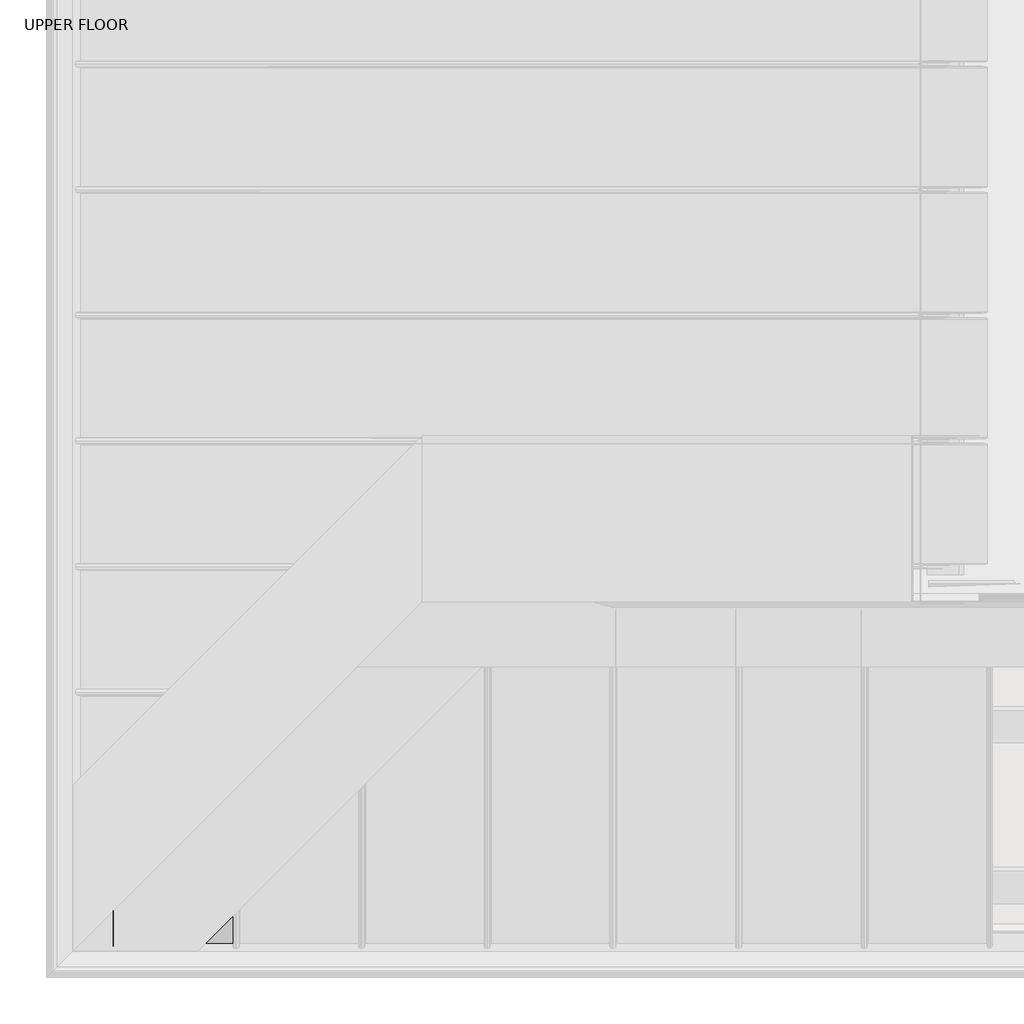
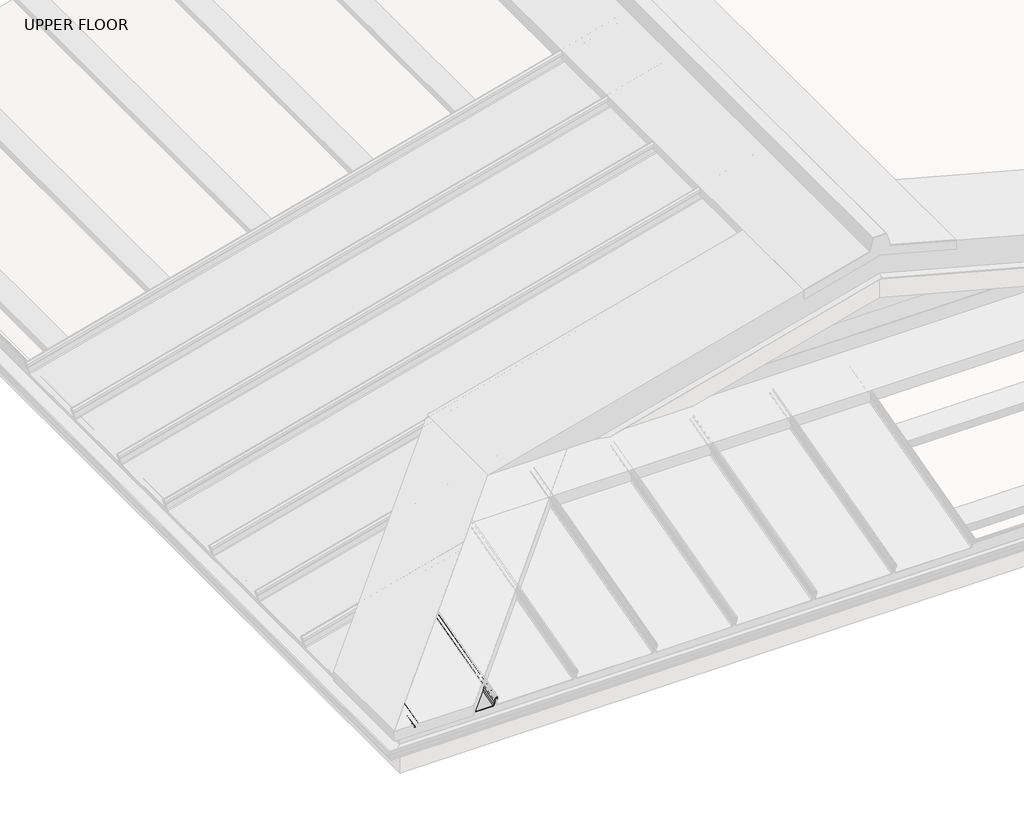
# One storey, part 5 of 15: 1 beam.
"""IFC4 building model written with IfcOpenShell, lengths in millimetres."""

from ifc_helpers import new_model, si_unit, frame, origin, place, context, project, spatial, polyline, circle_curve, ellipse_curve, element, save
from ifc_brep_helpers import plane_surface, cylinder_surface, revolved_surface, advanced_brep

model = new_model("IFC4")

# Units and contexts
model_context = context("Model", 3, world=origin())
ifc_project = project(units=[si_unit("LENGTHUNIT", "METRE", prefix="MILLI")], contexts=[model_context])

# Site, building, storey
site = spatial("IfcSite", under=ifc_project)
building = spatial("IfcBuilding", under=site)
storey = spatial("IfcBuildingStorey", under=building, Name="UPPER FLOOR", Elevation=2700.0)

# Beam
placement = place(None, origin())
element("IfcBeam", 1, at=placement, inside=storey, context=model_context, shape_type="AdvancedBrep", body=[
    advanced_brep(
    [(-171.6506892, -4676.095666, 3282.2551895), (-176.1847146, -4677.0728577, 3285.9021185), (-180.6915291, -4676.1309313, 3282.3868016), (-183.1385285, -4673.1910221, 3271.414911), (-181.4798691, -4672.5557768, 3269.0441433), (-180.3107043, -4672.112927, 3267.3914054), (-181.8012259, -4666.0540531, 3244.7793802), (-185.4956776, -4665.157273, 3241.4325512), (-505.7446304, -4665.157273, 3241.4325512), (-509.4374078, -4666.0550971, 3244.7832762), (-510.906911, -4672.1332034, 3267.4670779), (-510.2789834, -4672.3747897, 3268.3686904), (-508.0673455, -4673.168275, 3271.3300177), (-508.9508843, -4676.0609668, 3282.1256906), (-516.1805362, -4677.7900541, 3288.5787319), (-523.4101882, -4676.0609668, 3282.1256906), (-524.293727, -4673.168275, 3271.3300177), (-522.0820891, -4672.3747897, 3268.3686904), (-521.4541615, -4672.1332034, 3267.4670779), (-521.8458759, -4670.5130082, 3261.420427), (-520.84392, -4670.5130082, 3261.420427), (-520.4365113, -4672.1981177, 3267.7093414), (-521.8419272, -4672.6260652, 3269.3064631), (-523.2963478, -4673.1478782, 3271.2538956), (-522.4066574, -4676.0607105, 3282.1247338), (-516.1805362, -4677.531235, 3287.6128061), (-509.9476802, -4676.0402621, 3282.0484196), (-509.0600815, -4673.1272018, 3271.1767303), (-510.5191453, -4672.6260652, 3269.3064631), (-511.9245612, -4672.1981177, 3267.7093414), (-510.4354557, -4666.0389332, 3244.7229517), (-505.7446304, -4664.898454, 3240.4666254), (-185.4959227, -4664.898454, 3240.4666254), (-180.8032468, -4666.0376071, 3244.7180029), (-179.3125123, -4672.0973465, 3267.3332583), (-181.2160931, -4672.805634, 3269.9766229), (-182.1527364, -4673.1463822, 3271.2483128), (-179.7370513, -4676.0462771, 3282.0708676), (-176.1742056, -4676.8142937, 3284.9371448), (-172.7002114, -4676.1424796, 3282.4299005), (-170.6729605, -4673.2675201, 3271.7004056), (-169.6731006, -4673.315157, 3271.8781888), (-169.6731006, -4237.8214481, 3388.5683764), (-171.6506892, -4239.7990366, 3399.160519), (-170.6729605, -4238.821308, 3388.1099173), (-172.7002114, -4240.8485588, 3399.0665551), (-176.1742056, -4244.322553, 3400.8229575), (-179.7370513, -4247.8853987, 3396.7962292), (-182.1527364, -4250.3010838, 3384.549369), (-181.2160931, -4249.3644405, 3383.4373487), (-179.3125123, -4247.4608597, 3381.114262), (-180.8032468, -4248.9515942, 3356.4758633), (-185.4959227, -4253.6442701, 3350.6618518), (-505.7446304, -4573.8929778, 3264.8514692), (-510.4354557, -4578.5838031, 3268.1564831), (-511.9245612, -4580.0729087, 3292.3942167), (-510.5191453, -4578.6674927, 3294.4825867), (-509.0600815, -4577.2084289, 3296.878088), (-509.9476802, -4578.0960276, 3308.2924981), (-516.1805362, -4584.3288837, 3312.5863009), (-522.4066574, -4590.5550048, 3305.0359185), (-523.2963478, -4591.4446952, 3293.1461975), (-521.8419272, -4589.9902746, 3291.4486565), (-520.4365113, -4588.5848587, 3290.1134466), (-520.84392, -4588.9922675, 3283.2638436), (-521.8458759, -4589.9942233, 3282.9953704), (-521.4541615, -4589.6025089, 3289.5811108), (-522.0820891, -4590.2304365, 3290.3792035), (-524.2948561, -4592.4420973, 3292.9606233), (-523.4101882, -4591.5585357, 3304.7680488), (-516.1805362, -4584.3288837, 3313.621577), (-508.9508843, -4577.0992317, 3308.6424076), (-508.0673455, -4576.2156929, 3297.3083837), (-510.2789834, -4578.4273308, 3293.5418361), (-510.906911, -4579.0552584, 3292.4072381), (-509.4374078, -4577.5857552, 3268.4885649), (-505.7446304, -4573.8929778, 3265.8867454), (-185.4956776, -4253.644025, 3351.6971937), (-181.8012259, -4249.9495733, 3356.2742396), (-180.3107043, -4248.4590518, 3380.9091191), (-181.4798691, -4249.6282166, 3382.3672415), (-183.1385285, -4251.2868759, 3384.4637863), (-180.6915291, -4248.8398765, 3396.8790947), (-176.1847146, -4244.333062, 3401.8543973)],
    [
        (0, 1, circle_curve(frame((-176.1847146, -4675.8796489, 3281.4490028), z_axis=(0.0, -0.9659258262890683, -0.2588190451025206), x_axis=(-1.0000000000000002, 0.0, 0.0)), 4.6102046)),
        (1, 2, circle_curve(frame((-176.1847146, -4675.8796489, 3281.4490028), z_axis=(0.0, -0.9659258262890683, -0.2588190451025206), x_axis=(-1.0000000000000002, 0.0, 0.0)), 4.6102046)),
        (2, 3),
        (3, 4, circle_curve(frame((-180.7543361, -4673.1453565, 3271.2444845), z_axis=(0.0, -0.9659258262890683, -0.2588190451025206), x_axis=(-1.0000000000000002, 0.0, 0.0)), 2.3907121)),
        (4, 5, circle_curve(frame((-181.9907668, -4672.1406133, 3267.4947319), z_axis=(0.0, 0.9659258262890683, 0.2588190451025206), x_axis=(-1.0000000000000002, 0.0, 0.0)), 1.6834645)),
        (5, 6),
        (6, 7, circle_curve(frame((-185.4937487, -4666.1149033, 3245.0064763), z_axis=(0.0, 0.9659258262890683, 0.2588190451025206), x_axis=(-1.0000000000000002, 0.0, 0.0)), 3.7)),
        (7, 8),
        (8, 9, circle_curve(frame((-505.7446304, -4666.1149035, 3245.0064768), z_axis=(0.0, 0.9659258262890683, 0.2588190451025206), x_axis=(-1.0000000000000002, 0.0, 0.0)), 3.7)),
        (9, 10),
        (10, 11, circle_curve(frame((-509.9849411, -4672.1481352, 3267.522804), z_axis=(0.0, 0.9659258262890683, 0.2588190451025206), x_axis=(-1.0000000000000002, 0.0, 0.0)), 0.9237732)),
        (11, 12, circle_curve(frame((-510.9790057, -4673.108701, 3271.1076846), z_axis=(0.0, -0.9659258262890683, -0.2588190451025206), x_axis=(-1.0000000000000002, 0.0, 0.0)), 2.9207441)),
        (12, 13),
        (13, 14, circle_curve(frame((-516.1805362, -4675.9130447, 3281.5736375), z_axis=(0.0, -0.9659258262890683, -0.2588190451025206), x_axis=(-1.0000000000000002, 0.0, 0.0)), 7.2522073)),
        (14, 15, circle_curve(frame((-516.1805362, -4675.9130447, 3281.5736375), z_axis=(0.0, -0.9659258262890683, -0.2588190451025206), x_axis=(-1.0000000000000002, 0.0, 0.0)), 7.2522073)),
        (15, 16),
        (16, 17, circle_curve(frame((-521.3806452, -4673.1092459, 3271.1097181), z_axis=(0.0, -0.9659258262890683, -0.2588190451025206), x_axis=(-1.0000000000000002, 0.0, 0.0)), 2.9231288)),
        (17, 18, circle_curve(frame((-522.2830835, -4672.164336, 3267.5832662), z_axis=(0.0, 0.9659258262890683, 0.2588190451025206), x_axis=(-1.0000000000000002, 0.0, 0.0)), 0.8376041)),
        (18, 19),
        (19, 20, circle_curve(frame((-521.344898, -4670.5130082, 3261.420427), z_axis=(0.0, -0.9659258262890683, -0.2588190451025206), x_axis=(-1.0000000000000002, 0.0, 0.0)), 0.5009779)),
        (20, 21),
        (21, 22, circle_curve(frame((-522.2868274, -4672.1596269, 3267.5656915), z_axis=(0.0, -0.9659258262890683, -0.2588190451025206), x_axis=(-1.0000000000000002, 0.0, 0.0)), 1.856283)),
        (22, 23, circle_curve(frame((-521.3815775, -4673.108701, 3271.1076846), z_axis=(0.0, 0.9659258262890683, 0.2588190451025206), x_axis=(-1.0000000000000002, 0.0, 0.0)), 1.9207441)),
        (23, 24),
        (24, 25, circle_curve(frame((-516.2575857, -4675.9348975, 3281.6551933), z_axis=(0.0, 0.9659258262890683, 0.2588190451025206), x_axis=(-1.0000000000000002, 0.0, 0.0)), 6.1682558)),
        (25, 26, circle_curve(frame((-516.2597106, -4675.8908732, 3281.4908925), z_axis=(0.0, 0.9659258262890683, 0.2588190451025206), x_axis=(-1.0000000000000002, 0.0, 0.0)), 6.3383658)),
        (26, 27),
        (27, 28, circle_curve(frame((-510.8835263, -4673.0899838, 3271.0378311), z_axis=(0.0, 0.9659258262890683, 0.2588190451025206), x_axis=(-1.0000000000000002, 0.0, 0.0)), 1.8291061)),
        (28, 29, circle_curve(frame((-510.169191, -4672.1805142, 3267.6436441), z_axis=(0.0, -0.9659258262890683, -0.2588190451025206), x_axis=(-1.0000000000000002, 0.0, 0.0)), 1.7566874)),
        (29, 30),
        (30, 31, circle_curve(frame((-505.7446304, -4666.1149035, 3245.0064768), z_axis=(0.0, -0.9659258262890683, -0.2588190451025206), x_axis=(-1.0000000000000002, 0.0, 0.0)), 4.7)),
        (31, 32),
        (32, 33, circle_curve(frame((-185.4959227, -4666.1155033, 3245.0087152), z_axis=(0.0, -0.9659258262890683, -0.2588190451025206), x_axis=(-1.0000000000000002, 0.0, 0.0)), 4.7023174)),
        (33, 34),
        (34, 35, circle_curve(frame((-181.9866241, -4672.141414, 3267.4977204), z_axis=(0.0, -0.9659258262890683, -0.2588190451025206), x_axis=(-1.0000000000000002, 0.0, 0.0)), 2.6795268)),
        (35, 36, circle_curve(frame((-181.0832503, -4673.0867027, 3271.0255856), z_axis=(0.0, 0.9659258262890683, 0.2588190451025206), x_axis=(-1.0000000000000002, 0.0, 0.0)), 1.094061)),
        (36, 37),
        (37, 38, circle_curve(frame((-176.1742056, -4675.8766984, 3281.4379916), z_axis=(0.0, 0.9659258262890683, 0.2588190451025206), x_axis=(-1.0000000000000002, 0.0, 0.0)), 3.6225901)),
        (38, 39, circle_curve(frame((-176.1742056, -4675.8766984, 3281.4379916), z_axis=(0.0, 0.9659258262890683, 0.2588190451025206), x_axis=(-1.0000000000000002, 0.0, 0.0)), 3.6225901)),
        (39, 40),
        (40, 41, circle_curve(frame((-170.1730306, -4673.2913386, 3271.7892972), z_axis=(0.0, -0.9659258262890683, -0.2588190451025206), x_axis=(-1.0000000000000002, 0.0, 0.0)), 0.5083296)),
        (41, 0),
        (41, 42),
        (42, 43),
        (43, 0),
        (40, 44),
        (44, 42, ellipse_curve(frame((-170.1730306, -4238.321378, 3388.3391468), z_axis=(0.7071067811865475, -0.7071067811865476, 0.0), x_axis=(0.6612248329466451, 0.661224832946645, 0.3543493200069144)), 0.7442462, 0.5083296)),
        (39, 45),
        (45, 44),
        (38, 46),
        (46, 45, ellipse_curve(frame((-176.1742056, -4244.322553, 3397.0725763), z_axis=(-0.7071067811865475, 0.7071067811865476, 0.0), x_axis=(-0.6612248329466451, -0.661224832946645, -0.3543493200069144)), 5.3038399, 3.6225901)),
        (37, 47),
        (47, 46, ellipse_curve(frame((-176.1742056, -4244.322553, 3397.0725763), z_axis=(-0.7071067811865475, 0.7071067811865476, 0.0), x_axis=(-0.6612248329466451, -0.661224832946645, -0.3543493200069144)), 5.3038399, 3.6225901)),
        (36, 48),
        (48, 47),
        (35, 49),
        (49, 48, ellipse_curve(frame((-181.0832503, -4249.2315977, 3384.5972187), z_axis=(-0.7071067811865475, 0.7071067811865476, 0.0), x_axis=(-0.6612248329466451, -0.661224832946645, -0.3543493200069144)), 1.6018165, 1.094061)),
        (34, 50),
        (50, 49, ellipse_curve(frame((-181.9866241, -4250.1349715, 3380.5740059), z_axis=(0.7071067811865475, -0.7071067811865476, 0.0), x_axis=(0.6612248329466451, 0.661224832946645, 0.3543493200069144)), 3.9230995, 2.6795268)),
        (33, 51),
        (51, 50),
        (32, 52),
        (52, 51, ellipse_curve(frame((-185.4959227, -4253.6442701, 3355.530049), z_axis=(0.7071067811865475, -0.7071067811865476, 0.0), x_axis=(0.6612248329466451, 0.661224832946645, 0.3543493200069144)), 6.8846705, 4.7023174)),
        (31, 53),
        (53, 52),
        (30, 54),
        (54, 53, ellipse_curve(frame((-505.7446304, -4573.8929778, 3269.7172673), z_axis=(0.7071067811865475, -0.7071067811865476, 0.0), x_axis=(0.6612248329466451, 0.661224832946645, 0.3543493200069144)), 6.8812776, 4.7)),
        (29, 55),
        (55, 54),
        (28, 56),
        (56, 55, ellipse_curve(frame((-510.169191, -4578.3175384, 3292.7941527), z_axis=(0.7071067811865475, -0.7071067811865476, 0.0), x_axis=(0.6612248329466451, 0.661224832946645, 0.3543493200069144)), 2.5719689, 1.7566874)),
        (27, 57),
        (57, 56, ellipse_curve(frame((-510.8835263, -4579.0318737, 3296.2406258), z_axis=(-0.7071067811865475, 0.7071067811865476, 0.0), x_axis=(-0.6612248329466451, -0.661224832946645, -0.3543493200069144)), 2.6779972, 1.8291061)),
        (26, 58),
        (58, 57),
        (25, 59),
        (59, 58, ellipse_curve(frame((-516.2597106, -4584.408058, 3306.003639), z_axis=(-0.7071067811865475, 0.7071067811865476, 0.0), x_axis=(-0.6612248329466451, -0.661224832946645, -0.3543493200069144)), 9.2800116, 6.3383658)),
        (24, 60),
        (60, 59, ellipse_curve(frame((-516.2575857, -4584.4059331, 3306.1803054), z_axis=(-0.7071067811865475, 0.7071067811865476, 0.0), x_axis=(-0.6612248329466451, -0.661224832946645, -0.3543493200069144)), 9.0309533, 6.1682558)),
        (23, 61),
        (61, 60),
        (22, 62),
        (62, 61, ellipse_curve(frame((-521.3815775, -4589.5299249, 3293.5025501), z_axis=(-0.7071067811865475, 0.7071067811865476, 0.0), x_axis=(-0.6612248329466451, -0.661224832946645, -0.3543493200069144)), 2.8121646, 1.9207441)),
        (21, 63),
        (63, 62, ellipse_curve(frame((-522.2868274, -4590.4351748, 3289.4636925), z_axis=(0.7071067811865475, -0.7071067811865476, 0.0), x_axis=(0.6612248329466451, 0.661224832946645, 0.3543493200069144)), 2.7177869, 1.856283)),
        (20, 64),
        (64, 63),
        (19, 65),
        (65, 64, ellipse_curve(frame((-521.344898, -4589.4932454, 3283.129607), z_axis=(0.7071067811865475, -0.7071067811865476, 0.0), x_axis=(0.6612248329466451, 0.661224832946645, 0.3543493200069144)), 0.7334826, 0.5009779)),
        (18, 66),
        (66, 65),
        (17, 67),
        (67, 66, ellipse_curve(frame((-522.2830835, -4590.4314309, 3289.4835321), z_axis=(-0.7071067811865475, 0.7071067811865476, 0.0), x_axis=(-0.6612248329466451, -0.661224832946645, -0.3543493200069144)), 1.2263375, 0.8376041)),
        (16, 68),
        (68, 67, ellipse_curve(frame((-521.3806452, -4589.5289926, 3293.5049794), z_axis=(0.7071067811865475, -0.7071067811865476, 0.0), x_axis=(0.6612248329466451, 0.661224832946645, 0.3543493200069144)), 4.2797576, 2.9231288)),
        (15, 69),
        (69, 68),
        (14, 70),
        (70, 69, ellipse_curve(frame((-516.1805362, -4584.3288837, 3306.1135395), z_axis=(0.7071067811865475, -0.7071067811865476, 0.0), x_axis=(0.6612248329466451, 0.661224832946645, 0.3543493200069144)), 10.6179685, 7.2522073)),
        (13, 71),
        (71, 70, ellipse_curve(frame((-516.1805362, -4584.3288837, 3306.1135395), z_axis=(0.7071067811865475, -0.7071067811865476, 0.0), x_axis=(0.6612248329466451, 0.661224832946645, 0.3543493200069144)), 10.6179685, 7.2522073)),
        (12, 72),
        (72, 71),
        (11, 73),
        (73, 72, ellipse_curve(frame((-510.9790057, -4579.1273531, 3296.2899108), z_axis=(0.7071067811865475, -0.7071067811865476, 0.0), x_axis=(0.6612248329466451, 0.661224832946645, 0.3543493200069144)), 4.2762662, 2.9207441)),
        (10, 74),
        (74, 73, ellipse_curve(frame((-509.9849411, -4578.1332886, 3292.7140063), z_axis=(-0.7071067811865475, 0.7071067811865476, 0.0), x_axis=(-0.6612248329466451, -0.661224832946645, -0.3543493200069144)), 1.3524978, 0.9237732)),
        (9, 75),
        (75, 74),
        (8, 76),
        (76, 75, ellipse_curve(frame((-505.7446304, -4573.8929778, 3269.7172673), z_axis=(-0.7071067811865475, 0.7071067811865476, 0.0), x_axis=(-0.6612248329466451, -0.661224832946645, -0.3543493200069144)), 5.417176, 3.7)),
        (7, 77),
        (77, 76),
        (6, 78),
        (78, 77, ellipse_curve(frame((-185.4937487, -4253.6420961, 3355.5282319), z_axis=(-0.7071067811865475, 0.7071067811865476, 0.0), x_axis=(-0.6612248329466451, -0.661224832946645, -0.3543493200069144)), 5.417176, 3.7)),
        (5, 79),
        (79, 78),
        (4, 80),
        (80, 79, ellipse_curve(frame((-181.9907668, -4250.1391142, 3380.5696928), z_axis=(-0.7071067811865475, 0.7071067811865476, 0.0), x_axis=(-0.6612248329466451, -0.661224832946645, -0.3543493200069144)), 2.4647631, 1.6834645)),
        (3, 81),
        (81, 80, ellipse_curve(frame((-180.7543361, -4248.9026835, 3384.9199661), z_axis=(0.7071067811865475, -0.7071067811865476, 0.0), x_axis=(0.6612248329466451, 0.661224832946645, 0.3543493200069144)), 3.5002454, 2.3907121)),
        (2, 82),
        (82, 81),
        (1, 83),
        (83, 82, ellipse_curve(frame((-176.1847146, -4244.333062, 3397.0815623), z_axis=(0.7071067811865475, -0.7071067811865476, 0.0), x_axis=(0.6612248329466451, 0.661224832946645, 0.3543493200069144)), 6.749808, 4.6102046)),
        (43, 83, ellipse_curve(frame((-176.1847146, -4244.333062, 3397.0815623), z_axis=(0.7071067811865475, -0.7071067811865476, 0.0), x_axis=(0.6612248329466451, 0.661224832946645, 0.3543493200069144)), 6.749808, 4.6102046)),
    ],
    [
        plane_surface(frame((-169.6731006, -4673.315157, 3271.8781888), z_axis=(0.0, -0.9659258262890685, -0.25881904510252035), x_axis=(-0.18103878268248824, -0.25454230822568763, 0.9499648269741264))),
        plane_surface(frame((-171.6506892, -3763.2953086, 3526.8393081), z_axis=(0.9834759575936989, -0.0468562848604057, 0.17487003575294915), x_axis=(0.0, -0.9659258262890683, -0.2588190451025206))),
        cylinder_surface(frame((-170.1730306, -4673.2913386, 3271.7892972), z_axis=(0.0, 0.9659258262890683, 0.2588190451025206), x_axis=(-1.0000000000000002, 0.0, 0.0)), 0.5083296),
        plane_surface(frame((-170.6729605, -3760.4671627, 3516.2845242), z_axis=(-0.9837509798367423, 0.046467937494472866, -0.17342070365230228), x_axis=(0.0, -0.9659258262890683, -0.2588190451025206))),
        revolved_surface(polyline([(-179.7967957, -4675.876698424135, 3281.437991593533), (-179.7967957, -4240.580595852956, 3398.075230745895)]), (-176.1742056, -4675.8766984, 3281.4379916), (0.0, -0.9659258262890683, -0.2588190451025206)),
        revolved_surface(polyline([(-179.7967957, -4675.876698481071, 3281.437991578277), (-179.7967957, -4240.580595852956, 3398.075230745895)]), (-176.1742056, -4675.8766984, 3281.4379916), (0.0, -0.9659258262890683, -0.2588190451025206)),
        plane_surface(frame((-179.7370513, -3763.2459197, 3526.6549862), z_axis=(0.977537868063593, 0.05454866443059217, -0.20357838714000076), x_axis=(0.0, -0.9659258262890683, -0.2588190451025206))),
        revolved_surface(polyline([(-182.1773113, -4673.086702707796, 3271.0255855979112), (-182.1773113, -4248.101486527072, 3384.900031068702)]), (-181.0832503, -4673.0867027, 3271.0255856), (0.0, -0.9659258262890683, -0.2588190451025206)),
        cylinder_surface(frame((-181.9866241, -4672.141414, 3267.4977204), z_axis=(0.0, 0.9659258262890683, 0.2588190451025206), x_axis=(-1.0000000000000002, 0.0, 0.0)), 2.6795268),
        plane_surface(frame((-179.3125123, -3759.2969891, 3511.9173769), z_axis=(0.9979791357337671, 0.016445999670391176, -0.06137730635116645), x_axis=(0.0, -0.9659258262890683, -0.2588190451025206))),
        cylinder_surface(frame((-185.4959227, -4666.1155033, 3245.0087152), z_axis=(0.0, 0.9659258262890683, 0.2588190451025206), x_axis=(-1.0000000000000002, 0.0, 0.0)), 4.7023174),
        plane_surface(frame((-185.4959227, -3752.0980966, 3485.050744), z_axis=(0.0, 0.2588190451025206, -0.9659258262890683), x_axis=(0.0, -0.9659258262890683, -0.2588190451025206))),
        cylinder_surface(frame((-505.7446304, -4666.1149035, 3245.0064768), z_axis=(0.0, 0.9659258262890683, 0.2588190451025206), x_axis=(-1.0000000000000002, 0.0, 0.0)), 4.7),
        plane_surface(frame((-510.4354557, -3753.2385757, 3489.3070703), z_axis=(-0.9980479368039751, 0.016163898662687713, -0.060324491057539696), x_axis=(0.0, -0.9659258262890683, -0.2588190451025206))),
        cylinder_surface(frame((-510.169191, -4672.1805142, 3267.6436441), z_axis=(0.0, 0.9659258262890683, 0.2588190451025206), x_axis=(-1.0000000000000002, 0.0, 0.0)), 1.7566874),
        revolved_surface(polyline([(-512.7126324000001, -4673.089983866739, 3271.037831082117), (-512.7126324000001, -4577.142497123671, 3296.746882670718)]), (-510.8835263, -4673.0899838, 3271.0378311), (0.0, -0.9659258262890683, -0.2588190451025206)),
        plane_surface(frame((-509.0600815, -3760.3268444, 3515.7608489), z_axis=(-0.9969048840808035, 0.02034760881392576, -0.07593830990610176), x_axis=(0.0, -0.9659258262890683, -0.2588190451025206))),
        revolved_surface(polyline([(-522.5980764, -4675.8908732, 3281.4908925), (-522.5980764, -4577.860838143574, 3307.757961227364)]), (-516.2597106, -4675.8908732, 3281.4908925), (0.0, -0.9659258262890683, -0.2588190451025206)),
        revolved_surface(polyline([(-522.4258415, -4675.934897502063, 3281.655193299447), (-522.4258415, -4578.034428491509, 3307.8875449094535)]), (-516.2575857, -4675.9348975, 3281.6551933), (0.0, -0.9659258262890683, -0.2588190451025206)),
        plane_surface(frame((-522.4066574, -3763.2603531, 3526.7088524), z_axis=(0.9968898625471323, 0.020396848881732668, -0.07612207634093635), x_axis=(0.0, -0.9659258262890683, -0.2588190451025206))),
        revolved_surface(polyline([(-523.3023216, -4673.108701075225, 3271.107684579844), (-523.3023216, -4587.545890770521, 3294.0341705031265)]), (-521.3815775, -4673.108701, 3271.1076846), (0.0, -0.9659258262890683, -0.2588190451025206)),
        cylinder_surface(frame((-522.2868274, -4672.1596269, 3267.5656915), z_axis=(0.0, 0.9659258262890683, 0.2588190451025206), x_axis=(-1.0000000000000002, 0.0, 0.0)), 1.856283),
        plane_surface(frame((-520.4365113, -3759.3977603, 3512.29346), z_axis=(0.9980479368039776, 0.016163898662674224, -0.06032449105750041), x_axis=(0.0, -0.9659258262890683, -0.2588190451025206))),
        cylinder_surface(frame((-521.344898, -4670.5130082, 3261.420427), z_axis=(0.0, 0.9659258262890683, 0.2588190451025206), x_axis=(-1.0000000000000002, 0.0, 0.0)), 0.5009779),
        plane_surface(frame((-521.8458759, -3757.7126508, 3506.0045456), z_axis=(-0.9980479368039783, -0.016163898662671365, 0.060324491057489736), x_axis=(0.0, -0.9659258262890683, -0.2588190451025206))),
        revolved_surface(polyline([(-523.1206876, -4672.164336, 3267.5832662), (-523.1206876, -4589.566227113172, 3289.7153627725634)]), (-522.2830835, -4672.164336, 3267.5832662), (0.0, -0.9659258262890683, -0.2588190451025206)),
        cylinder_surface(frame((-521.3806452, -4673.1092459, 3271.1097181), z_axis=(0.0, 0.9659258262890683, 0.2588190451025206), x_axis=(-1.0000000000000002, 0.0, 0.0)), 2.9231288),
        plane_surface(frame((-524.293727, -3760.3679176, 3515.9141363), z_axis=(-0.996889862547133, -0.020396848881731024, 0.07612207634093021), x_axis=(0.0, -0.9659258262890683, -0.2588190451025206))),
        cylinder_surface(frame((-516.1805362, -4675.9130447, 3281.5736375), z_axis=(0.0, 0.9659258262890683, 0.2588190451025206), x_axis=(-1.0000000000000002, 0.0, 0.0)), 7.2522073),
        plane_surface(frame((-508.9508843, -3763.2606094, 3526.7098092), z_axis=(0.9968898625471304, -0.02039684888174122, 0.0761220763409572), x_axis=(0.0, -0.9659258262890683, -0.2588190451025206))),
        cylinder_surface(frame((-510.9790057, -4673.108701, 3271.1076846), z_axis=(0.0, 0.9659258262890683, 0.2588190451025206), x_axis=(-1.0000000000000002, 0.0, 0.0)), 2.9207441),
        revolved_surface(polyline([(-510.90871430000004, -4672.1481352, 3267.522804), (-510.90871430000004, -4577.1790763644185, 3292.9696866209383)]), (-509.9849411, -4672.1481352, 3267.522804), (0.0, -0.9659258262890683, -0.2588190451025206)),
        plane_surface(frame((-510.906911, -3759.332846, 3512.0511965), z_axis=(0.9980479368039753, -0.016163898662686728, 0.06032449105753602), x_axis=(0.0, -0.9659258262890683, -0.2588190451025206))),
        revolved_surface(polyline([(-509.4446304, -4666.114903519146, 3245.00647679487), (-509.4446304, -4570.0710599293025, 3270.7413471227496)]), (-505.7446304, -4666.1149035, 3245.0064768), (0.0, -0.9659258262890683, -0.2588190451025206)),
        plane_surface(frame((-505.7446304, -3752.3569156, 3486.0166698), z_axis=(0.0, -0.2588190451025206, 0.9659258262890683), x_axis=(0.0, -0.9659258262890683, -0.2588190451025206))),
        revolved_surface(polyline([(-189.1937487, -4666.114903341383, 3245.0064762889115), (-189.1937487, -4249.820178222622, 3356.5523116978193)]), (-185.4937487, -4666.1149033, 3245.0064763), (0.0, -0.9659258262890683, -0.2588190451025206)),
        plane_surface(frame((-181.8012259, -3753.2536957, 3489.3634989), z_axis=(-0.9979791357337673, -0.016445999670390392, 0.06137730635116353), x_axis=(0.0, -0.9659258262890683, -0.2588190451025206))),
        revolved_surface(polyline([(-183.6742313, -4672.1406133, 3267.4947319), (-183.6742313, -4248.400178237033, 3381.0356392755343)]), (-181.9907668, -4672.1406133, 3267.4947319), (0.0, -0.9659258262890683, -0.2588190451025206)),
        cylinder_surface(frame((-180.7543361, -4673.1453565, 3271.2444845), z_axis=(0.0, 0.9659258262890683, 0.2588190451025206), x_axis=(-1.0000000000000002, 0.0, 0.0)), 2.3907121),
        plane_surface(frame((-183.1385285, -3760.3906647, 3515.9990297), z_axis=(-0.977573645665627, -0.05450569771259388, 0.20341803316539667), x_axis=(0.0, -0.9659258262890683, -0.2588190451025206))),
        cylinder_surface(frame((-176.1847146, -4675.8796489, 3281.4490028), z_axis=(0.0, 0.9659258262890683, 0.2588190451025206), x_axis=(-1.0000000000000002, 0.0, 0.0)), 4.6102046),
        plane_surface(frame((-1715.1944205, -5783.3427679, 4168.077193), z_axis=(-0.7071067811865475, 0.7071067811865476, 0.0), x_axis=(0.0, 0.0, -1.0))),
    ],
    [
        (0, [[1, 2, 3, 4, 5, 6, 7, 8, 9, 10, 11, 12, 13, 14, 15, 16, 17, 18, 19, 20, 21, 22, 23, 24, 25, 26, 27, 28, 29, 30, 31, 32, 33, 34, 35, 36, 37, 38, 39, 40, 41, 42]]),
        (1, [[-42, 43, 44, 45]]),
        (2, [[-41, 46, 47, -43]]),
        (3, [[-40, 48, 49, -46]]),
        (4, [[-39, 50, 51, -48]]),
        (5, [[-38, 52, 53, -50]]),
        (6, [[-37, 54, 55, -52]]),
        (7, [[-36, 56, 57, -54]]),
        (8, [[-35, 58, 59, -56]]),
        (9, [[-34, 60, 61, -58]]),
        (10, [[-33, 62, 63, -60]]),
        (11, [[-32, 64, 65, -62]]),
        (12, [[-31, 66, 67, -64]]),
        (13, [[-30, 68, 69, -66]]),
        (14, [[-29, 70, 71, -68]]),
        (15, [[-28, 72, 73, -70]]),
        (16, [[-27, 74, 75, -72]]),
        (17, [[-26, 76, 77, -74]]),
        (18, [[-25, 78, 79, -76]]),
        (19, [[-24, 80, 81, -78]]),
        (20, [[-23, 82, 83, -80]]),
        (21, [[-22, 84, 85, -82]]),
        (22, [[-21, 86, 87, -84]]),
        (23, [[-20, 88, 89, -86]]),
        (24, [[-19, 90, 91, -88]]),
        (25, [[-18, 92, 93, -90]]),
        (26, [[-17, 94, 95, -92]]),
        (27, [[-16, 96, 97, -94]]),
        (28, [[-15, 98, 99, -96]]),
        (28, [[-14, 100, 101, -98]]),
        (29, [[-13, 102, 103, -100]]),
        (30, [[-12, 104, 105, -102]]),
        (31, [[-11, 106, 107, -104]]),
        (32, [[-10, 108, 109, -106]]),
        (33, [[-9, 110, 111, -108]]),
        (34, [[-8, 112, 113, -110]]),
        (35, [[-7, 114, 115, -112]]),
        (36, [[-6, 116, 117, -114]]),
        (37, [[-5, 118, 119, -116]]),
        (38, [[-4, 120, 121, -118]]),
        (39, [[-3, 122, 123, -120]]),
        (40, [[-2, 124, 125, -122]]),
        (40, [[-1, -45, 126, -124]]),
        (41, [[-44, -47, -49, -51, -53, -55, -57, -59, -61, -63, -65, -67, -69, -71, -73, -75, -77, -79, -81, -83, -85, -87, -89, -91, -93, -95, -97, -99, -101, -103, -105, -107, -109, -111, -113, -115, -117, -119, -121, -123, -125, -126]]),
    ],
),
])

save(model, "model.ifc")
